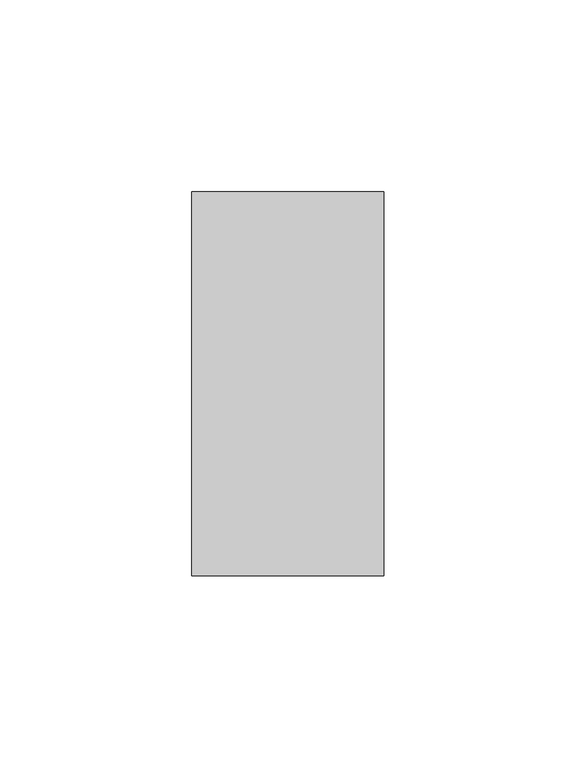
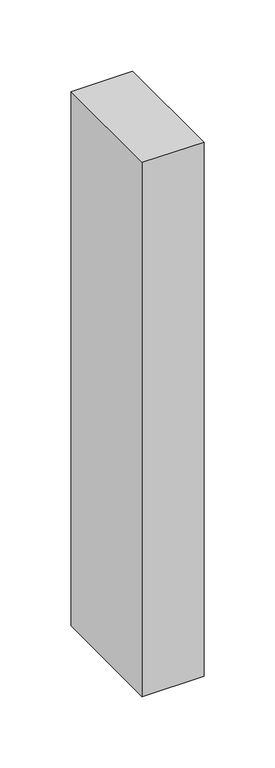
"""IFC4 building model written with IfcOpenShell, lengths in millimetres: member geometry."""

from ifc_helpers import new_model, si_unit, frame, origin, place, context, project, spatial, polyline, outline, extrude, source, transform, mapped, element, save


def member_76369c4f(model_context):
    return source(origin(), model_context, "Body", "SweptSolid", [
        extrude(outline(polyline([(0.0, 50.0), (0.0, -50.0), (-50.0, -50.0), (-50.0, 50.0), (0.0, 50.0)])), frame((0.0, 0.0, -457.7375), z_axis=(0.0, 0.0, 1.0), x_axis=(1.0, 0.0, 0.0)), (0.0, 0.0, 1.0), 457.7375),
    ])


if __name__ == "__main__":
    model = new_model("IFC4")
    model_context = context("Model", 3, world=origin())
    ifc_project = project(units=[si_unit("LENGTHUNIT", "METRE", prefix="MILLI")], contexts=[model_context])
    site = spatial("IfcSite", under=ifc_project)
    building = spatial("IfcBuilding", under=site)
    placement = place(None, origin())
    member_shape = member_76369c4f(model_context)
    element("IfcMember", 1, at=placement, inside=building, context=model_context, shape_type="MappedRepresentation", body=[
        mapped(member_shape, transform((0.0, 0.0, 0.0), x_axis=(1.0, 0.0, 0.0), y_axis=(0.0, 1.0, 0.0), z_axis=(0.0, 0.0, 1.0))),
    ])
    save(model, "model.ifc")
